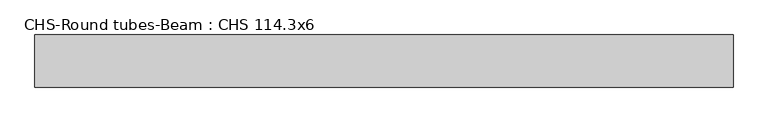
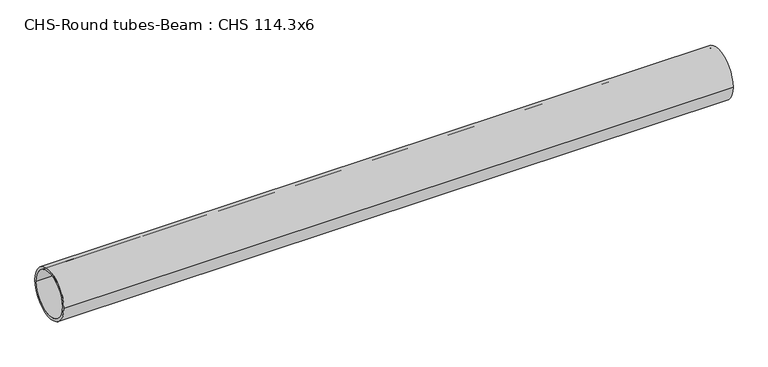
"""IFC4 building model written with IfcOpenShell, lengths in millimetres: beam geometry, CHS-Round tubes-Beam : CHS 114.3x6."""

from ifc_helpers import new_model, si_unit, point, frame, origin, origin_2d, place, context, project, spatial, circle_curve, trimmed, segment, composite_curve, outline, extrude, source, transform, mapped, element, save


def chs_round_tubes_beam_chs_114_3x6_b1cd6f79(model_context):
    return source(origin(), model_context, "Body", "SweptSolid", [
        extrude(outline(composite_curve([segment(trimmed(circle_curve(origin_2d(), 57.15), [point((57.15, 0.0))], [point((-57.15, 0.0))], False, "CARTESIAN"), True, "CONTINUOUS"), segment(trimmed(circle_curve(origin_2d(), 57.15), [point((-57.15, 0.0))], [point((57.15, 0.0))], False, "CARTESIAN"), True, "CONTINUOUS")], self_intersect=False), holes=[composite_curve([segment(trimmed(circle_curve(origin_2d(), 51.15), [point((51.15, 0.0))], [point((-51.15, 0.0))], True, "CARTESIAN"), True, "CONTINUOUS"), segment(trimmed(circle_curve(origin_2d(), 51.15), [point((-51.15, 0.0))], [point((51.15, 0.0))], True, "CARTESIAN"), True, "CONTINUOUS")], self_intersect=False)]), frame((-759.0521072, 0.0, 0.0), z_axis=(1.0, 0.0, 0.0), x_axis=(0.0, 1.0, 0.0)), (0.0, 0.0, 1.0), 1531.351327),
    ])


if __name__ == "__main__":
    model = new_model("IFC4")
    model_context = context("Model", 3, world=origin())
    ifc_project = project(units=[si_unit("LENGTHUNIT", "METRE", prefix="MILLI")], contexts=[model_context])
    site = spatial("IfcSite", under=ifc_project)
    building = spatial("IfcBuilding", under=site)
    placement = place(None, origin())
    chs_round_tubes_beam_chs_114_3x6_shape = chs_round_tubes_beam_chs_114_3x6_b1cd6f79(model_context)
    element("IfcBeam", 1, ObjectType="CHS-Round tubes-Beam : CHS 114.3x6", at=placement, inside=building, context=model_context, shape_type="MappedRepresentation", body=[
        mapped(chs_round_tubes_beam_chs_114_3x6_shape, transform((0.0, 0.0, 0.0), x_axis=(1.0, 0.0, 0.0), y_axis=(0.0, 1.0, 0.0), z_axis=(0.0, 0.0, 1.0))),
    ])
    save(model, "model.ifc")
